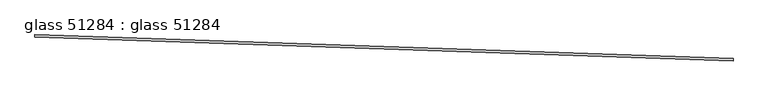
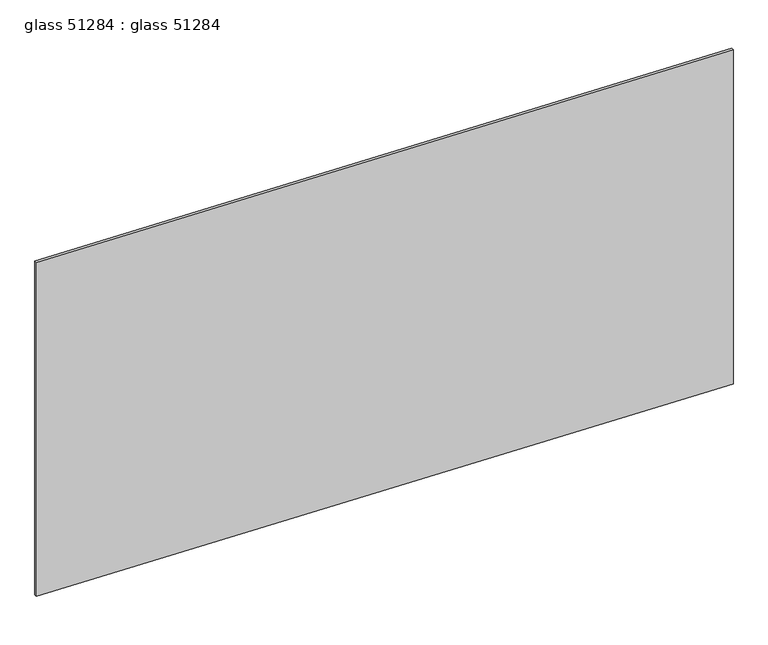
"""IFC4 building model written with IfcOpenShell, lengths in millimetres: proxy geometry, glass 51284 : glass 51284."""

from ifc_helpers import new_model, si_unit, frame, origin, place, context, project, spatial, polyline, outline, extrude, source, transform, mapped, element, save


def glass_51284_glass_51284_2e7bb77f(model_context):
    return source(origin(), model_context, "Body", "SweptSolid", [
        extrude(outline(polyline([(34521.1745909, -15492.1167465), (34520.956084, -15498.5017646), (32753.297902, -15438.0093136), (32753.5164088, -15431.6242955), (34521.1745909, -15492.1167465)])), frame((0.0, 0.0, 1597.975708), z_axis=(0.0, 0.0, 1.0), x_axis=(1.0, 0.0, 0.0)), (0.0, 0.0, 1.0), 914.4),
    ])


if __name__ == "__main__":
    model = new_model("IFC4")
    model_context = context("Model", 3, world=origin())
    ifc_project = project(units=[si_unit("LENGTHUNIT", "METRE", prefix="MILLI")], contexts=[model_context])
    site = spatial("IfcSite", under=ifc_project)
    building = spatial("IfcBuilding", under=site)
    placement = place(None, origin())
    glass_51284_glass_51284_shape = glass_51284_glass_51284_2e7bb77f(model_context)
    element("IfcBuildingElementProxy", 1, Name="glass 51284 : glass 51284", ObjectType="glass 51284 : glass 51284", at=placement, inside=building, context=model_context, shape_type="MappedRepresentation", body=[
        mapped(glass_51284_glass_51284_shape, transform((0.0, 0.0, 0.0), x_axis=(1.0, 0.0, 0.0), y_axis=(0.0, 1.0, 0.0), z_axis=(0.0, 0.0, 1.0))),
    ])
    save(model, "model.ifc")
